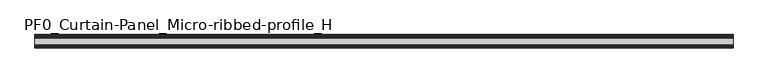
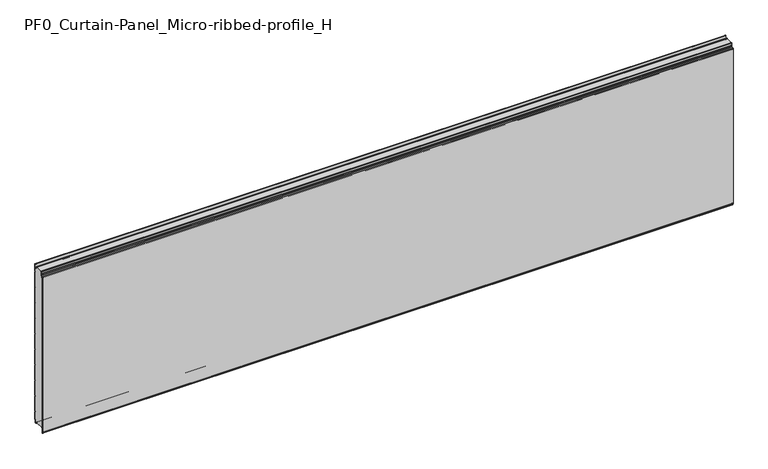
"""IFC4 building model written with IfcOpenShell, lengths in millimetres: plate geometry, PF0_Curtain-Panel_Micro-ribbed-profile_H."""

from ifc_helpers import new_model, si_unit, point, frame, frame_2d, origin, place, context, project, spatial, polyline, circle_curve, trimmed, segment, composite_curve, outline, extrude, source, transform, mapped, element, save
from ifc_brep_helpers import plane_surface, cylinder_surface, revolved_surface, advanced_brep


def pf0_curtain_panel_micro_ribbed_profile_h_5a5e979d(model_context):
    return source(origin(), model_context, "Body", "SolidModel", [
        advanced_brep(
        [(-2100.0, -15.878557, 0.0), (-2100.0, -20.0, 0.0), (-2100.0, -20.0, 0.8), (-2100.0, -15.878557, 0.8), (-2100.0, -13.1503208, -1.370137), (-2100.0, -11.728236, -7.529863), (-2100.0, -6.2, -6.9), (-2100.0, -6.2, 8.6), (-2100.0, -3.4, 11.4), (-2100.0, -2.0, 11.4), (-2100.0, -0.8, 12.6), (-2100.0, -0.8, 57.6856412), (-2100.0, -2.482606, 60.6), (-2100.0, -0.8, 63.5143588), (-2100.0, -0.8, 157.6856412), (-2100.0, -2.482606, 160.6), (-2100.0, -0.8, 163.5143588), (-2100.0, -0.8, 257.6856412), (-2100.0, -2.482606, 260.6), (-2100.0, -0.8, 263.5143588), (-2100.0, -0.8, 357.6856412), (-2100.0, -2.482606, 360.6), (-2100.0, -0.8, 363.5143588), (-2100.0, -0.8, 457.6856412), (-2100.0, -2.482606, 460.6), (-2100.0, -0.8, 463.5143588), (-2100.0, -0.8, 557.6856412), (-2100.0, -2.482606, 560.6), (-2100.0, -0.8, 563.5143588), (-2100.0, -0.8, 657.6856412), (-2100.0, -2.482606, 660.6), (-2100.0, -0.8, 663.5143588), (-2100.0, -0.8, 757.6856412), (-2100.0, -2.482606, 760.6), (-2100.0, -0.8, 763.5143588), (-2100.0, -0.8, 857.6856412), (-2100.0, -2.482606, 860.6), (-2100.0, -0.8, 863.5143588), (-2100.0, -0.8, 957.6856412), (-2100.0, -2.482606, 960.6), (-2100.0, -0.8, 963.5143588), (-2100.0, -0.8, 1008.1), (-2100.0, -4.2, 1008.1), (-2100.0, -4.2, 991.1), (-2100.0, -13.7270771, 990.2664884), (-2100.0, -14.8636953, 996.7125669), (-2100.0, -16.6363492, 998.2), (-2100.0, -20.0, 998.2), (-2100.0, -20.0, 999.0), (-2100.0, -16.6363492, 999.0), (-2100.0, -14.0758491, 996.8514855), (-2100.0, -12.939231, 990.405407), (-2100.0, -5.0, 991.1), (-2100.0, -5.0, 1008.1), (-2100.0, -2.5, 1010.6), (-2100.0, 0.0, 1008.1), (-2100.0, 0.0, 963.2999995), (-2100.0, -1.5588455, 960.6), (-2100.0, 0.0, 957.9000005), (-2100.0, 0.0, 863.2999995), (-2100.0, -1.5588455, 860.6), (-2100.0, 0.0, 857.9000005), (-2100.0, 0.0, 763.2999995), (-2100.0, -1.5588455, 760.6), (-2100.0, 0.0, 757.9000005), (-2100.0, 0.0, 663.2999995), (-2100.0, -1.5588455, 660.6), (-2100.0, 0.0, 657.9000005), (-2100.0, 0.0, 563.2999995), (-2100.0, -1.5588455, 560.6), (-2100.0, 0.0, 557.9000005), (-2100.0, 0.0, 463.2999995), (-2100.0, -1.5588455, 460.6), (-2100.0, 0.0, 457.9000005), (-2100.0, 0.0, 363.2999995), (-2100.0, -1.5588455, 360.6), (-2100.0, 0.0, 357.9000005), (-2100.0, 0.0, 263.2999995), (-2100.0, -1.5588455, 260.6), (-2100.0, 0.0, 257.9000005), (-2100.0, 0.0, 163.2999995), (-2100.0, -1.5588455, 160.6), (-2100.0, 0.0, 157.9000005), (-2100.0, 0.0, 63.2999995), (-2100.0, -1.5588455, 60.6), (-2100.0, 0.0, 57.9000005), (-2100.0, 0.0, 12.6), (-2100.0, -2.0, 10.6), (-2100.0, -3.4, 10.6), (-2100.0, -5.4, 8.6), (-2100.0, -5.4, -6.9), (-2100.0, -12.5077322, -7.7098239), (-2100.0, -13.929817, -1.5500979), (2100.0, -15.878557, 0.0), (2100.0, -13.9298169, -1.5500978), (2100.0, -12.507732, -7.7098239), (2100.0, -5.4, -6.9), (2100.0, -5.4, 8.6), (2100.0, -3.4, 10.6), (2100.0, -2.0, 10.6), (2100.0, 0.0, 12.6), (2100.0, 0.0, 57.9000005), (2100.0, -1.5588455, 60.6), (2100.0, 0.0, 63.2999995), (2100.0, 0.0, 157.9000005), (2100.0, -1.5588455, 160.6), (2100.0, 0.0, 163.2999995), (2100.0, 0.0, 257.9000005), (2100.0, -1.5588455, 260.6), (2100.0, 0.0, 263.2999995), (2100.0, 0.0, 357.9000005), (2100.0, -1.5588455, 360.6), (2100.0, 0.0, 363.2999995), (2100.0, 0.0, 457.9000005), (2100.0, -1.5588455, 460.6), (2100.0, 0.0, 463.2999995), (2100.0, 0.0, 557.9000005), (2100.0, -1.5588455, 560.6), (2100.0, 0.0, 563.2999995), (2100.0, 0.0, 657.9000005), (2100.0, -1.5588455, 660.6), (2100.0, 0.0, 663.2999995), (2100.0, 0.0, 757.9000005), (2100.0, -1.5588455, 760.6), (2100.0, 0.0, 763.2999995), (2100.0, 0.0, 857.9000005), (2100.0, -1.5588455, 860.6), (2100.0, 0.0, 863.2999995), (2100.0, 0.0, 957.9000005), (2100.0, -1.5588455, 960.6), (2100.0, 0.0, 963.2999995), (2100.0, 0.0, 1008.1), (2100.0, -2.5, 1010.6), (2100.0, -5.0, 1008.1), (2100.0, -5.0, 991.1), (2100.0, -12.939231, 990.405407), (2100.0, -14.0758491, 996.8514855), (2100.0, -16.6363492, 999.0), (2100.0, -20.0, 999.0), (2100.0, -20.0, 998.2), (2100.0, -16.6363492, 998.2), (2100.0, -14.8636953, 996.7125669), (2100.0, -13.7270772, 990.2664884), (2100.0, -4.2, 991.1), (2100.0, -4.2, 1008.1), (2100.0, -0.8, 1008.1), (2100.0, -0.8, 963.5143588), (2100.0, -2.482606, 960.6), (2100.0, -0.8, 957.6856412), (2100.0, -0.8, 863.5143588), (2100.0, -2.482606, 860.6), (2100.0, -0.8, 857.6856412), (2100.0, -0.8, 763.5143588), (2100.0, -2.482606, 760.6), (2100.0, -0.8, 757.6856412), (2100.0, -0.8, 663.5143588), (2100.0, -2.482606, 660.6), (2100.0, -0.8, 657.6856412), (2100.0, -0.8, 563.5143588), (2100.0, -2.482606, 560.6), (2100.0, -0.8, 557.6856412), (2100.0, -0.8, 463.5143588), (2100.0, -2.482606, 460.6), (2100.0, -0.8, 457.6856412), (2100.0, -0.8, 363.5143588), (2100.0, -2.482606, 360.6), (2100.0, -0.8, 357.6856412), (2100.0, -0.8, 263.5143588), (2100.0, -2.482606, 260.6), (2100.0, -0.8, 257.6856412), (2100.0, -0.8, 163.5143588), (2100.0, -2.482606, 160.6), (2100.0, -0.8, 157.6856412), (2100.0, -0.8, 63.5143588), (2100.0, -2.482606, 60.6), (2100.0, -0.8, 57.6856412), (2100.0, -0.8, 12.6), (2100.0, -2.0, 11.4), (2100.0, -3.4, 11.4), (2100.0, -6.2, 8.6), (2100.0, -6.2, -6.9), (2100.0, -11.7282362, -7.529863), (2100.0, -13.150321, -1.370137), (2100.0, -15.878557, 0.8), (2100.0, -20.0, 0.8), (2100.0, -20.0, 0.0)],
        [
            (0, 1),
            (1, 2),
            (2, 3),
            (3, 4, circle_curve(frame((-2100.0, -15.878557, -2.0), z_axis=(-1.0, 0.0, 0.0), x_axis=(0.0, 0.0, 1.0)), 2.8)),
            (4, 5),
            (5, 6, circle_curve(frame((-2100.0, -9.0, -6.9), z_axis=(1.0, 0.0, 0.0), x_axis=(0.0, 0.0, 1.0)), 2.8)),
            (6, 7),
            (7, 8, circle_curve(frame((-2100.0, -3.4, 8.6), z_axis=(-1.0, 0.0, 0.0), x_axis=(0.0, 0.0, 1.0)), 2.8)),
            (8, 9),
            (9, 10, circle_curve(frame((-2100.0, -2.0, 12.6), z_axis=(1.0, 0.0, 0.0), x_axis=(0.0, 0.0, 1.0)), 1.2)),
            (10, 11),
            (11, 12),
            (12, 13),
            (13, 14),
            (14, 15),
            (15, 16),
            (16, 17),
            (17, 18),
            (18, 19),
            (19, 20),
            (20, 21),
            (21, 22),
            (22, 23),
            (23, 24),
            (24, 25),
            (25, 26),
            (26, 27),
            (27, 28),
            (28, 29),
            (29, 30),
            (30, 31),
            (31, 32),
            (32, 33),
            (33, 34),
            (34, 35),
            (35, 36),
            (36, 37),
            (37, 38),
            (38, 39),
            (39, 40),
            (40, 41),
            (41, 42, circle_curve(frame((-2100.0, -2.5, 1008.1), z_axis=(1.0, 0.0, 0.0), x_axis=(0.0, 0.0, 1.0)), 1.7)),
            (42, 43),
            (43, 44, circle_curve(frame((-2100.0, -9.0, 991.1), z_axis=(-1.0, 0.0, 0.0), x_axis=(0.0, 0.0, 1.0)), 4.8)),
            (44, 45),
            (45, 46, circle_curve(frame((-2100.0, -16.6363492, 996.4), z_axis=(1.0, 0.0, 0.0), x_axis=(0.0, 0.0, 1.0)), 1.8)),
            (46, 47),
            (47, 48),
            (48, 49),
            (49, 50, circle_curve(frame((-2100.0, -16.6363492, 996.4), z_axis=(-1.0, 0.0, 0.0), x_axis=(0.0, 0.0, 1.0)), 2.6)),
            (50, 51),
            (51, 52, circle_curve(frame((-2100.0, -9.0, 991.1), z_axis=(1.0, 0.0, 0.0), x_axis=(0.0, 0.0, 1.0)), 4.0)),
            (52, 53),
            (53, 54, circle_curve(frame((-2100.0, -2.5, 1008.1), z_axis=(-1.0, 0.0, 0.0), x_axis=(0.0, 0.0, 1.0)), 2.5)),
            (54, 55, circle_curve(frame((-2100.0, -2.5, 1008.1), z_axis=(-1.0, 0.0, 0.0), x_axis=(0.0, 0.0, 1.0)), 2.5)),
            (55, 56),
            (56, 57),
            (57, 58),
            (58, 59),
            (59, 60),
            (60, 61),
            (61, 62),
            (62, 63),
            (63, 64),
            (64, 65),
            (65, 66),
            (66, 67),
            (67, 68),
            (68, 69),
            (69, 70),
            (70, 71),
            (71, 72),
            (72, 73),
            (73, 74),
            (74, 75),
            (75, 76),
            (76, 77),
            (77, 78),
            (78, 79),
            (79, 80),
            (80, 81),
            (81, 82),
            (82, 83),
            (83, 84),
            (84, 85),
            (85, 86),
            (86, 87, circle_curve(frame((-2100.0, -2.0, 12.6), z_axis=(-1.0, 0.0, 0.0), x_axis=(0.0, 0.0, 1.0)), 2.0)),
            (87, 88),
            (88, 89, circle_curve(frame((-2100.0, -3.4, 8.6), z_axis=(1.0, 0.0, 0.0), x_axis=(0.0, 0.0, 1.0)), 2.0)),
            (89, 90),
            (90, 91, circle_curve(frame((-2100.0, -9.0, -6.9), z_axis=(-1.0, 0.0, 0.0), x_axis=(0.0, 0.0, 1.0)), 3.6)),
            (91, 92),
            (92, 0, circle_curve(frame((-2100.0, -15.878557, -2.0), z_axis=(1.0, 0.0, 0.0), x_axis=(0.0, 0.0, 1.0)), 2.0)),
            (93, 94, circle_curve(frame((2100.0, -15.878557, -2.0), z_axis=(-1.0, 0.0, 0.0), x_axis=(0.0, 0.0, 1.0)), 2.0)),
            (94, 95),
            (95, 96, circle_curve(frame((2100.0, -9.0, -6.9), z_axis=(1.0, 0.0, 0.0), x_axis=(0.0, 0.0, 1.0)), 3.6)),
            (96, 97),
            (97, 98, circle_curve(frame((2100.0, -3.4, 8.6), z_axis=(-1.0, 0.0, 0.0), x_axis=(0.0, 0.0, 1.0)), 2.0)),
            (98, 99),
            (99, 100, circle_curve(frame((2100.0, -2.0, 12.6), z_axis=(1.0, 0.0, 0.0), x_axis=(0.0, 0.0, 1.0)), 2.0)),
            (100, 101),
            (101, 102),
            (102, 103),
            (103, 104),
            (104, 105),
            (105, 106),
            (106, 107),
            (107, 108),
            (108, 109),
            (109, 110),
            (110, 111),
            (111, 112),
            (112, 113),
            (113, 114),
            (114, 115),
            (115, 116),
            (116, 117),
            (117, 118),
            (118, 119),
            (119, 120),
            (120, 121),
            (121, 122),
            (122, 123),
            (123, 124),
            (124, 125),
            (125, 126),
            (126, 127),
            (127, 128),
            (128, 129),
            (129, 130),
            (130, 131),
            (131, 132, circle_curve(frame((2100.0, -2.5, 1008.1), z_axis=(1.0, 0.0, 0.0), x_axis=(0.0, 0.0, 1.0)), 2.5)),
            (132, 133, circle_curve(frame((2100.0, -2.5, 1008.1), z_axis=(1.0, 0.0, 0.0), x_axis=(0.0, 0.0, 1.0)), 2.5)),
            (133, 134),
            (134, 135, circle_curve(frame((2100.0, -9.0, 991.1), z_axis=(-1.0, 0.0, 0.0), x_axis=(0.0, 0.0, 1.0)), 4.0)),
            (135, 136),
            (136, 137, circle_curve(frame((2100.0, -16.6363492, 996.4), z_axis=(1.0, 0.0, 0.0), x_axis=(0.0, 0.0, 1.0)), 2.6)),
            (137, 138),
            (138, 139),
            (139, 140),
            (140, 141, circle_curve(frame((2100.0, -16.6363492, 996.4), z_axis=(-1.0, 0.0, 0.0), x_axis=(0.0, 0.0, 1.0)), 1.8)),
            (141, 142),
            (142, 143, circle_curve(frame((2100.0, -9.0, 991.1), z_axis=(1.0, 0.0, 0.0), x_axis=(0.0, 0.0, 1.0)), 4.8)),
            (143, 144),
            (144, 145, circle_curve(frame((2100.0, -2.5, 1008.1), z_axis=(-1.0, 0.0, 0.0), x_axis=(0.0, 0.0, 1.0)), 1.7)),
            (145, 146),
            (146, 147),
            (147, 148),
            (148, 149),
            (149, 150),
            (150, 151),
            (151, 152),
            (152, 153),
            (153, 154),
            (154, 155),
            (155, 156),
            (156, 157),
            (157, 158),
            (158, 159),
            (159, 160),
            (160, 161),
            (161, 162),
            (162, 163),
            (163, 164),
            (164, 165),
            (165, 166),
            (166, 167),
            (167, 168),
            (168, 169),
            (169, 170),
            (170, 171),
            (171, 172),
            (172, 173),
            (173, 174),
            (174, 175),
            (175, 176),
            (176, 177, circle_curve(frame((2100.0, -2.0, 12.6), z_axis=(-1.0, 0.0, 0.0), x_axis=(0.0, 0.0, 1.0)), 1.2)),
            (177, 178),
            (178, 179, circle_curve(frame((2100.0, -3.4, 8.6), z_axis=(1.0, 0.0, 0.0), x_axis=(0.0, 0.0, 1.0)), 2.8)),
            (179, 180),
            (180, 181, circle_curve(frame((2100.0, -9.0, -6.9), z_axis=(-1.0, 0.0, 0.0), x_axis=(0.0, 0.0, 1.0)), 2.8)),
            (181, 182),
            (182, 183, circle_curve(frame((2100.0, -15.878557, -2.0), z_axis=(1.0, 0.0, 0.0), x_axis=(0.0, 0.0, 1.0)), 2.8)),
            (183, 184),
            (184, 185),
            (185, 93),
            (0, 93),
            (185, 1),
            (184, 2),
            (183, 3),
            (182, 4),
            (181, 5),
            (180, 6),
            (179, 7),
            (178, 8),
            (177, 9),
            (176, 10),
            (175, 11),
            (174, 12),
            (173, 13),
            (172, 14),
            (171, 15),
            (170, 16),
            (169, 17),
            (168, 18),
            (167, 19),
            (166, 20),
            (165, 21),
            (164, 22),
            (163, 23),
            (162, 24),
            (161, 25),
            (160, 26),
            (159, 27),
            (158, 28),
            (157, 29),
            (156, 30),
            (155, 31),
            (154, 32),
            (153, 33),
            (152, 34),
            (151, 35),
            (150, 36),
            (149, 37),
            (148, 38),
            (147, 39),
            (146, 40),
            (145, 41),
            (144, 42),
            (143, 43),
            (142, 44),
            (141, 45),
            (140, 46),
            (139, 47),
            (138, 48),
            (137, 49),
            (136, 50),
            (135, 51),
            (134, 52),
            (133, 53),
            (131, 55),
            (130, 56),
            (129, 57),
            (128, 58),
            (127, 59),
            (126, 60),
            (125, 61),
            (124, 62),
            (123, 63),
            (122, 64),
            (121, 65),
            (120, 66),
            (119, 67),
            (118, 68),
            (117, 69),
            (116, 70),
            (115, 71),
            (114, 72),
            (113, 73),
            (112, 74),
            (111, 75),
            (110, 76),
            (109, 77),
            (108, 78),
            (107, 79),
            (106, 80),
            (105, 81),
            (104, 82),
            (103, 83),
            (102, 84),
            (101, 85),
            (100, 86),
            (99, 87),
            (98, 88),
            (97, 89),
            (96, 90),
            (95, 91),
            (94, 92),
        ],
        [
            plane_surface(frame((-2100.0, 0.0, 0.0), z_axis=(-1.0, 0.0, 0.0), x_axis=(0.0, 1.0, 0.0))),
            plane_surface(frame((2100.0, 0.0, 0.0), z_axis=(1.0, 0.0, 0.0), x_axis=(0.0, 1.0, 0.0))),
            plane_surface(frame((-2100.0, -15.878557, 0.0), z_axis=(0.0, 0.0, -1.0), x_axis=(1.0, 0.0, 0.0))),
            plane_surface(frame((-2100.0, -20.0, 0.0), z_axis=(0.0, -1.0, 0.0), x_axis=(1.0, 0.0, 0.0))),
            plane_surface(frame((-2100.0, -20.0, 0.8), z_axis=(0.0, 0.0, 1.0), x_axis=(1.0, 0.0, 0.0))),
            cylinder_surface(frame((-2100.0, -15.878557, -2.0), z_axis=(-1.0, 0.0, 0.0), x_axis=(0.0, 0.0, 1.0)), 2.8),
            plane_surface(frame((-2100.0, -13.150321, -1.370137), z_axis=(0.0, 0.9743700578318181, 0.22495108446242168), x_axis=(1.0, 0.0, 0.0))),
            revolved_surface(polyline([(2100.0, -9.0, -4.1000000000000005), (-2100.0, -9.0, -4.1000000000000005)]), (-2100.0, -9.0, -6.9), (1.0, 0.0, 0.0)),
            plane_surface(frame((-2100.0, -6.2, -6.9), z_axis=(0.0, -1.0, 0.0), x_axis=(1.0, 0.0, 0.0))),
            cylinder_surface(frame((-2100.0, -3.4, 8.6), z_axis=(-1.0, 0.0, 0.0), x_axis=(0.0, 0.0, 1.0)), 2.8),
            plane_surface(frame((-2100.0, -3.4, 11.4), z_axis=(0.0, 0.0, 1.0), x_axis=(1.0, 0.0, 0.0))),
            revolved_surface(polyline([(2100.0, -2.0, 13.799999999999999), (-2100.0, -2.0, 13.799999999999999)]), (-2100.0, -2.0, 12.6), (1.0, 0.0, 0.0)),
            plane_surface(frame((-2100.0, -0.8, 12.6), z_axis=(0.0, -1.0, 0.0), x_axis=(1.0, 0.0, 0.0))),
            plane_surface(frame((-2100.0, -0.8, 57.6856412), z_axis=(0.0, -0.8660253865035757, -0.5000000299313314), x_axis=(1.0, 0.0, 0.0))),
            plane_surface(frame((-2100.0, -2.482606, 60.6), z_axis=(0.0, -0.8660253865035789, 0.5000000299313261), x_axis=(1.0, 0.0, 0.0))),
            plane_surface(frame((-2100.0, -0.8, 63.5143588), z_axis=(0.0, -1.0, 0.0), x_axis=(1.0, 0.0, 0.0))),
            plane_surface(frame((-2100.0, -0.8, 157.6856412), z_axis=(0.0, -0.8660253865035755, -0.5000000299313319), x_axis=(1.0, 0.0, 0.0))),
            plane_surface(frame((-2100.0, -2.482606, 160.6), z_axis=(0.0, -0.8660253865035777, 0.5000000299313279), x_axis=(1.0, 0.0, 0.0))),
            plane_surface(frame((-2100.0, -0.8, 163.5143588), z_axis=(0.0, -1.0, 0.0), x_axis=(1.0, 0.0, 0.0))),
            plane_surface(frame((-2100.0, -0.8, 257.6856412), z_axis=(0.0, -0.8660253865035755, -0.5000000299313319), x_axis=(1.0, 0.0, 0.0))),
            plane_surface(frame((-2100.0, -2.482606, 260.6), z_axis=(0.0, -0.8660253865035777, 0.5000000299313279), x_axis=(1.0, 0.0, 0.0))),
            plane_surface(frame((-2100.0, -0.8, 263.5143588), z_axis=(0.0, -1.0, 0.0), x_axis=(1.0, 0.0, 0.0))),
            plane_surface(frame((-2100.0, -0.8, 357.6856412), z_axis=(0.0, -0.8660253865035754, -0.500000029931332), x_axis=(1.0, 0.0, 0.0))),
            plane_surface(frame((-2100.0, -2.482606, 360.6), z_axis=(0.0, -0.8660253865035789, 0.5000000299313261), x_axis=(1.0, 0.0, 0.0))),
            plane_surface(frame((-2100.0, -0.8, 363.5143588), z_axis=(0.0, -1.0, 0.0), x_axis=(1.0, 0.0, 0.0))),
            plane_surface(frame((-2100.0, -0.8, 457.6856412), z_axis=(0.0, -0.8660253865035755, -0.5000000299313319), x_axis=(1.0, 0.0, 0.0))),
            plane_surface(frame((-2100.0, -2.482606, 460.6), z_axis=(0.0, -0.8660253865035785, 0.5000000299313266), x_axis=(1.0, 0.0, 0.0))),
            plane_surface(frame((-2100.0, -0.8, 463.5143588), z_axis=(0.0, -1.0, 0.0), x_axis=(1.0, 0.0, 0.0))),
            plane_surface(frame((-2100.0, -0.8, 557.6856412), z_axis=(0.0, -0.8660253865035755, -0.500000029931332), x_axis=(1.0, 0.0, 0.0))),
            plane_surface(frame((-2100.0, -2.482606, 560.6), z_axis=(0.0, -0.8660253865035789, 0.500000029931326), x_axis=(1.0, 0.0, 0.0))),
            plane_surface(frame((-2100.0, -0.8, 563.5143588), z_axis=(0.0, -1.0, 0.0), x_axis=(1.0, 0.0, 0.0))),
            plane_surface(frame((-2100.0, -0.8, 657.6856412), z_axis=(0.0, -0.8660253865035755, -0.5000000299313317), x_axis=(1.0, 0.0, 0.0))),
            plane_surface(frame((-2100.0, -2.482606, 660.6), z_axis=(0.0, -0.8660253865035772, 0.5000000299313291), x_axis=(1.0, 0.0, 0.0))),
            plane_surface(frame((-2100.0, -0.8, 663.5143588), z_axis=(0.0, -1.0, 0.0), x_axis=(1.0, 0.0, 0.0))),
            plane_surface(frame((-2100.0, -0.8, 757.6856412), z_axis=(0.0, -0.8660253865035755, -0.5000000299313319), x_axis=(1.0, 0.0, 0.0))),
            plane_surface(frame((-2100.0, -2.482606, 760.6), z_axis=(0.0, -0.8660253865035771, 0.5000000299313291), x_axis=(1.0, 0.0, 0.0))),
            plane_surface(frame((-2100.0, -0.8, 763.5143588), z_axis=(0.0, -1.0, 0.0), x_axis=(1.0, 0.0, 0.0))),
            plane_surface(frame((-2100.0, -0.8, 857.6856412), z_axis=(0.0, -0.8660253865035755, -0.5000000299313319), x_axis=(1.0, 0.0, 0.0))),
            plane_surface(frame((-2100.0, -2.482606, 860.6), z_axis=(0.0, -0.8660253865035775, 0.5000000299313283), x_axis=(1.0, 0.0, 0.0))),
            plane_surface(frame((-2100.0, -0.8, 863.5143588), z_axis=(0.0, -1.0, 0.0), x_axis=(1.0, 0.0, 0.0))),
            plane_surface(frame((-2100.0, -0.8, 957.6856412), z_axis=(0.0, -0.8660253865035755, -0.500000029931332), x_axis=(1.0, 0.0, 0.0))),
            plane_surface(frame((-2100.0, -2.482606, 960.6), z_axis=(0.0, -0.8660253865035771, 0.5000000299313291), x_axis=(1.0, 0.0, 0.0))),
            plane_surface(frame((-2100.0, -0.8, 963.5143588), z_axis=(0.0, -1.0, 0.0), x_axis=(1.0, 0.0, 0.0))),
            revolved_surface(polyline([(2100.0, -2.5, 1009.8000000000001), (-2100.0, -2.5, 1009.8000000000001)]), (-2100.0, -2.5, 1008.1), (1.0, 0.0, 0.0)),
            plane_surface(frame((-2100.0, -4.2, 1008.1), z_axis=(0.0, 1.0, 0.0), x_axis=(1.0, 0.0, 0.0))),
            cylinder_surface(frame((-2100.0, -9.0, 991.1), z_axis=(-1.0, 0.0, 0.0), x_axis=(0.0, 0.0, 1.0)), 4.8),
            plane_surface(frame((-2100.0, -13.7270772, 990.2664884), z_axis=(0.0, -0.9848077391954005, -0.17364825602592165), x_axis=(1.0, 0.0, 0.0))),
            revolved_surface(polyline([(2100.0, -16.6363492, 998.1999999999999), (-2100.0, -16.6363492, 998.1999999999999)]), (-2100.0, -16.6363492, 996.4), (1.0, 0.0, 0.0)),
            plane_surface(frame((-2100.0, -16.6363492, 998.2), z_axis=(0.0, 0.0, -1.0), x_axis=(1.0, 0.0, 0.0))),
            plane_surface(frame((-2100.0, -20.0, 998.2), z_axis=(0.0, -1.0, 0.0), x_axis=(1.0, 0.0, 0.0))),
            plane_surface(frame((-2100.0, -20.0, 999.0), z_axis=(0.0, 0.0, 1.0), x_axis=(1.0, 0.0, 0.0))),
            cylinder_surface(frame((-2100.0, -16.6363492, 996.4), z_axis=(-1.0, 0.0, 0.0), x_axis=(0.0, 0.0, 1.0)), 2.6),
            plane_surface(frame((-2100.0, -14.0758491, 996.8514855), z_axis=(0.0, 0.9848077391954003, 0.1736482560259224), x_axis=(1.0, 0.0, 0.0))),
            revolved_surface(polyline([(2100.0, -9.0, 995.1), (-2100.0, -9.0, 995.1)]), (-2100.0, -9.0, 991.1), (1.0, 0.0, 0.0)),
            plane_surface(frame((-2100.0, -5.0, 991.1), z_axis=(0.0, -1.0, 0.0), x_axis=(1.0, 0.0, 0.0))),
            cylinder_surface(frame((-2100.0, -2.5, 1008.1), z_axis=(-1.0, 0.0, 0.0), x_axis=(0.0, 0.0, 1.0)), 2.5),
            plane_surface(frame((-2100.0, 0.0, 1008.1), z_axis=(0.0, 1.0, 0.0), x_axis=(1.0, 0.0, 0.0))),
            plane_surface(frame((-2100.0, 0.0, 963.2999995), z_axis=(0.0, 0.8660253865035786, -0.5000000299313263), x_axis=(1.0, 0.0, 0.0))),
            plane_surface(frame((-2100.0, -1.5588455, 960.6), z_axis=(0.0, 0.8660253865035755, 0.5000000299313319), x_axis=(1.0, 0.0, 0.0))),
            plane_surface(frame((-2100.0, 0.0, 957.9000005), z_axis=(0.0, 1.0, 0.0), x_axis=(1.0, 0.0, 0.0))),
            plane_surface(frame((-2100.0, 0.0, 863.2999995), z_axis=(0.0, 0.8660253865035786, -0.5000000299313263), x_axis=(1.0, 0.0, 0.0))),
            plane_surface(frame((-2100.0, -1.5588455, 860.6), z_axis=(0.0, 0.8660253865035755, 0.5000000299313319), x_axis=(1.0, 0.0, 0.0))),
            plane_surface(frame((-2100.0, 0.0, 857.9000005), z_axis=(0.0, 1.0, 0.0), x_axis=(1.0, 0.0, 0.0))),
            plane_surface(frame((-2100.0, 0.0, 763.2999995), z_axis=(0.0, 0.8660253865035786, -0.5000000299313263), x_axis=(1.0, 0.0, 0.0))),
            plane_surface(frame((-2100.0, -1.5588455, 760.6), z_axis=(0.0, 0.8660253865035755, 0.5000000299313319), x_axis=(1.0, 0.0, 0.0))),
            plane_surface(frame((-2100.0, 0.0, 757.9000005), z_axis=(0.0, 1.0, 0.0), x_axis=(1.0, 0.0, 0.0))),
            plane_surface(frame((-2100.0, 0.0, 663.2999995), z_axis=(0.0, 0.8660253865035786, -0.5000000299313263), x_axis=(1.0, 0.0, 0.0))),
            plane_surface(frame((-2100.0, -1.5588455, 660.6), z_axis=(0.0, 0.8660253865035755, 0.5000000299313319), x_axis=(1.0, 0.0, 0.0))),
            plane_surface(frame((-2100.0, 0.0, 657.9000005), z_axis=(0.0, 1.0, 0.0), x_axis=(1.0, 0.0, 0.0))),
            plane_surface(frame((-2100.0, 0.0, 563.2999995), z_axis=(0.0, 0.8660253865035786, -0.5000000299313263), x_axis=(1.0, 0.0, 0.0))),
            plane_surface(frame((-2100.0, -1.5588455, 560.6), z_axis=(0.0, 0.8660253865035755, 0.5000000299313319), x_axis=(1.0, 0.0, 0.0))),
            plane_surface(frame((-2100.0, 0.0, 557.9000005), z_axis=(0.0, 1.0, 0.0), x_axis=(1.0, 0.0, 0.0))),
            plane_surface(frame((-2100.0, 0.0, 463.2999995), z_axis=(0.0, 0.8660253865035786, -0.5000000299313263), x_axis=(1.0, 0.0, 0.0))),
            plane_surface(frame((-2100.0, -1.5588455, 460.6), z_axis=(0.0, 0.8660253865035755, 0.5000000299313319), x_axis=(1.0, 0.0, 0.0))),
            plane_surface(frame((-2100.0, 0.0, 457.9000005), z_axis=(0.0, 1.0, 0.0), x_axis=(1.0, 0.0, 0.0))),
            plane_surface(frame((-2100.0, 0.0, 363.2999995), z_axis=(0.0, 0.8660253865035786, -0.5000000299313263), x_axis=(1.0, 0.0, 0.0))),
            plane_surface(frame((-2100.0, -1.5588455, 360.6), z_axis=(0.0, 0.8660253865035755, 0.5000000299313319), x_axis=(1.0, 0.0, 0.0))),
            plane_surface(frame((-2100.0, 0.0, 357.9000005), z_axis=(0.0, 1.0, 0.0), x_axis=(1.0, 0.0, 0.0))),
            plane_surface(frame((-2100.0, 0.0, 263.2999995), z_axis=(0.0, 0.8660253865035786, -0.5000000299313263), x_axis=(1.0, 0.0, 0.0))),
            plane_surface(frame((-2100.0, -1.5588455, 260.6), z_axis=(0.0, 0.8660253865035755, 0.5000000299313319), x_axis=(1.0, 0.0, 0.0))),
            plane_surface(frame((-2100.0, 0.0, 257.9000005), z_axis=(0.0, 1.0, 0.0), x_axis=(1.0, 0.0, 0.0))),
            plane_surface(frame((-2100.0, 0.0, 163.2999995), z_axis=(0.0, 0.8660253865035786, -0.5000000299313263), x_axis=(1.0, 0.0, 0.0))),
            plane_surface(frame((-2100.0, -1.5588455, 160.6), z_axis=(0.0, 0.8660253865035755, 0.5000000299313319), x_axis=(1.0, 0.0, 0.0))),
            plane_surface(frame((-2100.0, 0.0, 157.9000005), z_axis=(0.0, 1.0, 0.0), x_axis=(1.0, 0.0, 0.0))),
            plane_surface(frame((-2100.0, 0.0, 63.2999995), z_axis=(0.0, 0.8660253865035786, -0.5000000299313263), x_axis=(1.0, 0.0, 0.0))),
            plane_surface(frame((-2100.0, -1.5588455, 60.6), z_axis=(0.0, 0.8660253865035755, 0.5000000299313319), x_axis=(1.0, 0.0, 0.0))),
            plane_surface(frame((-2100.0, 0.0, 57.9000005), z_axis=(0.0, 1.0, 0.0), x_axis=(1.0, 0.0, 0.0))),
            cylinder_surface(frame((-2100.0, -2.0, 12.6), z_axis=(-1.0, 0.0, 0.0), x_axis=(0.0, 0.0, 1.0)), 2.0),
            plane_surface(frame((-2100.0, -2.0, 10.6), z_axis=(0.0, 0.0, -1.0), x_axis=(1.0, 0.0, 0.0))),
            revolved_surface(polyline([(2100.0, -3.4, 10.6), (-2100.0, -3.4, 10.6)]), (-2100.0, -3.4, 8.6), (1.0, 0.0, 0.0)),
            plane_surface(frame((-2100.0, -5.4, 8.6), z_axis=(0.0, 1.0, 0.0), x_axis=(1.0, 0.0, 0.0))),
            cylinder_surface(frame((-2100.0, -9.0, -6.9), z_axis=(-1.0, 0.0, 0.0), x_axis=(0.0, 0.0, 1.0)), 3.6),
            plane_surface(frame((-2100.0, -12.507732, -7.7098239), z_axis=(0.0, -0.9743700578318182, -0.22495108446242174), x_axis=(1.0, 0.0, 0.0))),
            revolved_surface(polyline([(2100.0, -15.878557, 0.0), (-2100.0, -15.878557, 0.0)]), (-2100.0, -15.878557, -2.0), (1.0, 0.0, 0.0)),
        ],
        [
            (0, [[1, 2, 3, 4, 5, 6, 7, 8, 9, 10, 11, 12, 13, 14, 15, 16, 17, 18, 19, 20, 21, 22, 23, 24, 25, 26, 27, 28, 29, 30, 31, 32, 33, 34, 35, 36, 37, 38, 39, 40, 41, 42, 43, 44, 45, 46, 47, 48, 49, 50, 51, 52, 53, 54, 55, 56, 57, 58, 59, 60, 61, 62, 63, 64, 65, 66, 67, 68, 69, 70, 71, 72, 73, 74, 75, 76, 77, 78, 79, 80, 81, 82, 83, 84, 85, 86, 87, 88, 89, 90, 91, 92, 93]]),
            (1, [[94, 95, 96, 97, 98, 99, 100, 101, 102, 103, 104, 105, 106, 107, 108, 109, 110, 111, 112, 113, 114, 115, 116, 117, 118, 119, 120, 121, 122, 123, 124, 125, 126, 127, 128, 129, 130, 131, 132, 133, 134, 135, 136, 137, 138, 139, 140, 141, 142, 143, 144, 145, 146, 147, 148, 149, 150, 151, 152, 153, 154, 155, 156, 157, 158, 159, 160, 161, 162, 163, 164, 165, 166, 167, 168, 169, 170, 171, 172, 173, 174, 175, 176, 177, 178, 179, 180, 181, 182, 183, 184, 185, 186]]),
            (2, [[-1, 187, -186, 188]]),
            (3, [[-2, -188, -185, 189]]),
            (4, [[-3, -189, -184, 190]]),
            (5, [[-4, -190, -183, 191]]),
            (6, [[-5, -191, -182, 192]]),
            (7, [[-6, -192, -181, 193]]),
            (8, [[-7, -193, -180, 194]]),
            (9, [[-8, -194, -179, 195]]),
            (10, [[-9, -195, -178, 196]]),
            (11, [[-10, -196, -177, 197]]),
            (12, [[-11, -197, -176, 198]]),
            (13, [[-12, -198, -175, 199]]),
            (14, [[-13, -199, -174, 200]]),
            (15, [[-14, -200, -173, 201]]),
            (16, [[-15, -201, -172, 202]]),
            (17, [[-16, -202, -171, 203]]),
            (18, [[-17, -203, -170, 204]]),
            (19, [[-18, -204, -169, 205]]),
            (20, [[-19, -205, -168, 206]]),
            (21, [[-20, -206, -167, 207]]),
            (22, [[-21, -207, -166, 208]]),
            (23, [[-22, -208, -165, 209]]),
            (24, [[-23, -209, -164, 210]]),
            (25, [[-24, -210, -163, 211]]),
            (26, [[-25, -211, -162, 212]]),
            (27, [[-26, -212, -161, 213]]),
            (28, [[-27, -213, -160, 214]]),
            (29, [[-28, -214, -159, 215]]),
            (30, [[-29, -215, -158, 216]]),
            (31, [[-30, -216, -157, 217]]),
            (32, [[-31, -217, -156, 218]]),
            (33, [[-32, -218, -155, 219]]),
            (34, [[-33, -219, -154, 220]]),
            (35, [[-34, -220, -153, 221]]),
            (36, [[-35, -221, -152, 222]]),
            (37, [[-36, -222, -151, 223]]),
            (38, [[-37, -223, -150, 224]]),
            (39, [[-38, -224, -149, 225]]),
            (40, [[-39, -225, -148, 226]]),
            (41, [[-40, -226, -147, 227]]),
            (42, [[-41, -227, -146, 228]]),
            (43, [[-42, -228, -145, 229]]),
            (44, [[-43, -229, -144, 230]]),
            (45, [[-44, -230, -143, 231]]),
            (46, [[-45, -231, -142, 232]]),
            (47, [[-46, -232, -141, 233]]),
            (48, [[-47, -233, -140, 234]]),
            (49, [[-48, -234, -139, 235]]),
            (50, [[-49, -235, -138, 236]]),
            (51, [[-50, -236, -137, 237]]),
            (52, [[-51, -237, -136, 238]]),
            (53, [[-52, -238, -135, 239]]),
            (54, [[-53, -239, -134, 240]]),
            (55, [[-240, -133, -132, 241, -55, -54]]),
            (56, [[-56, -241, -131, 242]]),
            (57, [[-57, -242, -130, 243]]),
            (58, [[-58, -243, -129, 244]]),
            (59, [[-59, -244, -128, 245]]),
            (60, [[-60, -245, -127, 246]]),
            (61, [[-61, -246, -126, 247]]),
            (62, [[-62, -247, -125, 248]]),
            (63, [[-63, -248, -124, 249]]),
            (64, [[-64, -249, -123, 250]]),
            (65, [[-65, -250, -122, 251]]),
            (66, [[-66, -251, -121, 252]]),
            (67, [[-67, -252, -120, 253]]),
            (68, [[-68, -253, -119, 254]]),
            (69, [[-69, -254, -118, 255]]),
            (70, [[-70, -255, -117, 256]]),
            (71, [[-71, -256, -116, 257]]),
            (72, [[-72, -257, -115, 258]]),
            (73, [[-73, -258, -114, 259]]),
            (74, [[-74, -259, -113, 260]]),
            (75, [[-75, -260, -112, 261]]),
            (76, [[-76, -261, -111, 262]]),
            (77, [[-77, -262, -110, 263]]),
            (78, [[-78, -263, -109, 264]]),
            (79, [[-79, -264, -108, 265]]),
            (80, [[-80, -265, -107, 266]]),
            (81, [[-81, -266, -106, 267]]),
            (82, [[-82, -267, -105, 268]]),
            (83, [[-83, -268, -104, 269]]),
            (84, [[-84, -269, -103, 270]]),
            (85, [[-85, -270, -102, 271]]),
            (86, [[-86, -271, -101, 272]]),
            (87, [[-87, -272, -100, 273]]),
            (88, [[-88, -273, -99, 274]]),
            (89, [[-89, -274, -98, 275]]),
            (90, [[-90, -275, -97, 276]]),
            (91, [[-91, -276, -96, 277]]),
            (92, [[-92, -277, -95, 278]]),
            (93, [[-93, -278, -94, -187]]),
        ],
    ),
        extrude(outline(composite_curve([segment(polyline([(-70.0, 0.0), (-73.5, 0.0)]), True, "CONTINUOUS"), segment(trimmed(circle_curve(frame_2d((-73.5, -2.0)), 2.0), [point((-73.5, 0.0))], [point((-75.5, -2.0))], True, "CARTESIAN"), True, "CONTINUOUS"), segment(polyline([(-75.5, -2.0), (-75.5, -33.0)]), True, "CONTINUOUS"), segment(trimmed(circle_curve(frame_2d((-76.5, -33.0)), 1.0), [point((-75.5, -33.0))], [point((-77.5, -33.0))], False, "CARTESIAN"), True, "CONTINUOUS"), segment(polyline([(-77.5, -33.0), (-77.5, -26.9)]), True, "CONTINUOUS"), segment(trimmed(circle_curve(frame_2d((-78.4, -26.9)), 0.9), [point((-77.5, -26.9))], [point((-78.4, -26.0))], True, "CARTESIAN"), True, "CONTINUOUS"), segment(trimmed(circle_curve(frame_2d((-78.4, -24.4)), 1.6), [point((-78.4, -26.0))], [point((-80.0, -24.4))], False, "CARTESIAN"), True, "CONTINUOUS"), segment(polyline([(-80.0, -24.4), (-80.0, 973.0)]), True, "CONTINUOUS"), segment(trimmed(circle_curve(frame_2d((-79.0, 973.0)), 1.0), [point((-80.0, 973.0))], [point((-78.0, 973.0))], False, "CARTESIAN"), True, "CONTINUOUS"), segment(polyline([(-78.0, 973.0), (-78.0, 967.0)]), True, "CONTINUOUS"), segment(trimmed(circle_curve(frame_2d((-76.5, 967.0)), 1.5), [point((-78.0, 967.0))], [point((-75.0, 967.0))], True, "CARTESIAN"), True, "CONTINUOUS"), segment(polyline([(-75.0, 967.0), (-75.0, 967.8276204)]), True, "CONTINUOUS"), segment(trimmed(circle_curve(frame_2d((-68.8276204, 967.8276204)), 6.1723796), [point((-75.0, 967.8276204))], [point((-68.8276204, 974.0))], False, "CARTESIAN"), True, "CONTINUOUS"), segment(polyline([(-68.8276204, 974.0), (-68.0, 974.0)]), True, "CONTINUOUS"), segment(trimmed(circle_curve(frame_2d((-68.0, 975.0)), 1.0), [point((-68.0, 974.0))], [point((-67.0, 975.0))], True, "CARTESIAN"), True, "CONTINUOUS"), segment(polyline([(-67.0, 975.0), (-67.0, 981.5000012), (-65.4999999, 983.0), (-67.0, 984.4999988), (-67.0, 996.4)]), True, "CONTINUOUS"), segment(trimmed(circle_curve(frame_2d((-64.4, 996.4)), 2.6), [point((-67.0, 996.4))], [point((-64.4, 999.0))], False, "CARTESIAN"), True, "CONTINUOUS"), segment(polyline([(-64.4, 999.0), (-63.0, 999.0), (-63.0, 998.2), (-64.4, 998.2)]), True, "CONTINUOUS"), segment(trimmed(circle_curve(frame_2d((-64.4, 996.4)), 1.8), [point((-64.4, 998.2))], [point((-66.2, 996.4))], True, "CARTESIAN"), True, "CONTINUOUS"), segment(polyline([(-66.2, 996.4), (-66.2, 984.8313698), (-64.3686285, 983.0), (-66.2, 981.1686302), (-66.2, 975.0)]), True, "CONTINUOUS"), segment(trimmed(circle_curve(frame_2d((-68.0, 975.0)), 1.8), [point((-66.2, 975.0))], [point((-68.0, 973.2))], False, "CARTESIAN"), True, "CONTINUOUS"), segment(polyline([(-68.0, 973.2), (-68.8276204, 973.2)]), True, "CONTINUOUS"), segment(trimmed(circle_curve(frame_2d((-68.8276204, 967.8276204)), 5.3723796), [point((-68.8276204, 973.2))], [point((-74.2, 967.8276204))], True, "CARTESIAN"), True, "CONTINUOUS"), segment(polyline([(-74.2, 967.8276204), (-74.2, 967.0)]), True, "CONTINUOUS"), segment(trimmed(circle_curve(frame_2d((-76.4, 967.0)), 2.2), [point((-74.2, 967.0))], [point((-78.6, 967.0))], False, "CARTESIAN"), True, "CONTINUOUS"), segment(polyline([(-78.6, 967.0), (-78.6, 972.8891513)]), True, "CONTINUOUS"), segment(trimmed(circle_curve(frame_2d((-78.9, 972.8891513)), 0.3), [point((-78.6, 972.8891513))], [point((-79.2, 972.8891513))], True, "CARTESIAN"), True, "CONTINUOUS"), segment(polyline([(-79.2, 972.8891513), (-79.2, -24.4)]), True, "CONTINUOUS"), segment(trimmed(circle_curve(frame_2d((-78.4, -24.4)), 0.8), [point((-79.2, -24.4))], [point((-78.4, -25.2))], True, "CARTESIAN"), True, "CONTINUOUS"), segment(trimmed(circle_curve(frame_2d((-78.6133333, -26.9)), 1.7133333), [point((-78.4, -25.2))], [point((-76.9, -26.9))], False, "CARTESIAN"), True, "CONTINUOUS"), segment(polyline([(-76.9, -26.9), (-76.9, -32.8700312)]), True, "CONTINUOUS"), segment(trimmed(circle_curve(frame_2d((-76.6, -32.8700312)), 0.3), [point((-76.9, -32.8700312))], [point((-76.3, -32.8700312))], True, "CARTESIAN"), True, "CONTINUOUS"), segment(polyline([(-76.3, -32.8700312), (-76.3, -2.0)]), True, "CONTINUOUS"), segment(trimmed(circle_curve(frame_2d((-73.5, -2.0)), 2.8), [point((-76.3, -2.0))], [point((-73.5, 0.8))], False, "CARTESIAN"), True, "CONTINUOUS"), segment(polyline([(-73.5, 0.8), (-70.0, 0.8), (-70.0, 0.0)]), True, "CONTINUOUS")], self_intersect=False)), frame((-2100.0, 0.0, 0.0), z_axis=(1.0, 0.0, 0.0), x_axis=(0.0, 1.0, 0.0)), (0.0, 0.0, 1.0), 4200.0),
        extrude(outline(composite_curve([segment(polyline([(-70.0, 0.8), (-73.5, 0.8)]), True, "CONTINUOUS"), segment(trimmed(circle_curve(frame_2d((-73.5, -2.0)), 2.8), [point((-73.5, 0.8))], [point((-76.3, -2.0))], True, "CARTESIAN"), True, "CONTINUOUS"), segment(polyline([(-76.3, -2.0), (-76.3, -32.8700312)]), True, "CONTINUOUS"), segment(trimmed(circle_curve(frame_2d((-76.6, -32.8700312)), 0.3), [point((-76.3, -32.8700312))], [point((-76.9, -32.8700312))], False, "CARTESIAN"), True, "CONTINUOUS"), segment(polyline([(-76.9, -32.8700312), (-76.9, -26.9)]), True, "CONTINUOUS"), segment(trimmed(circle_curve(frame_2d((-78.6133333, -26.9)), 1.7133333), [point((-76.9, -26.9))], [point((-78.4, -25.2))], True, "CARTESIAN"), True, "CONTINUOUS"), segment(trimmed(circle_curve(frame_2d((-78.4, -24.4)), 0.8), [point((-78.4, -25.2))], [point((-79.2, -24.4))], False, "CARTESIAN"), True, "CONTINUOUS"), segment(polyline([(-79.2, -24.4), (-79.2, 972.8891513)]), True, "CONTINUOUS"), segment(trimmed(circle_curve(frame_2d((-78.9, 972.8891513)), 0.3), [point((-79.2, 972.8891513))], [point((-78.6, 972.8891513))], False, "CARTESIAN"), True, "CONTINUOUS"), segment(polyline([(-78.6, 972.8891513), (-78.6, 967.0)]), True, "CONTINUOUS"), segment(trimmed(circle_curve(frame_2d((-76.4, 967.0)), 2.2), [point((-78.6, 967.0))], [point((-74.2, 967.0))], True, "CARTESIAN"), True, "CONTINUOUS"), segment(polyline([(-74.2, 967.0), (-74.2, 967.8276204)]), True, "CONTINUOUS"), segment(trimmed(circle_curve(frame_2d((-68.8276204, 967.8276204)), 5.3723796), [point((-74.2, 967.8276204))], [point((-68.8276204, 973.2))], False, "CARTESIAN"), True, "CONTINUOUS"), segment(polyline([(-68.8276204, 973.2), (-68.0, 973.2)]), True, "CONTINUOUS"), segment(trimmed(circle_curve(frame_2d((-68.0, 975.0)), 1.8), [point((-68.0, 973.2))], [point((-66.2, 975.0))], True, "CARTESIAN"), True, "CONTINUOUS"), segment(polyline([(-66.2, 975.0), (-66.2, 981.1686302), (-64.3686285, 983.0), (-66.2, 984.8313698), (-66.2, 996.4)]), True, "CONTINUOUS"), segment(trimmed(circle_curve(frame_2d((-64.4, 996.4)), 1.8), [point((-66.2, 996.4))], [point((-64.4, 998.2))], False, "CARTESIAN"), True, "CONTINUOUS"), segment(polyline([(-64.4, 998.2), (-63.0, 998.2), (-63.0, 999.0), (-20.0, 999.0), (-20.0, 998.2), (-16.6363492, 998.2)]), True, "CONTINUOUS"), segment(trimmed(circle_curve(frame_2d((-16.6363492, 996.4)), 1.8), [point((-16.6363492, 998.2))], [point((-14.8636953, 996.7125669))], False, "CARTESIAN"), True, "CONTINUOUS"), segment(polyline([(-14.8636953, 996.7125669), (-13.7270772, 990.2664884)]), True, "CONTINUOUS"), segment(trimmed(circle_curve(frame_2d((-9.0, 991.1)), 4.8), [point((-13.7270772, 990.2664884))], [point((-4.2, 991.1))], True, "CARTESIAN"), True, "CONTINUOUS"), segment(polyline([(-4.2, 991.1), (-4.2, 1008.1)]), True, "CONTINUOUS"), segment(trimmed(circle_curve(frame_2d((-2.5, 1008.1)), 1.7), [point((-4.2, 1008.1))], [point((-0.8, 1008.1))], False, "CARTESIAN"), True, "CONTINUOUS"), segment(polyline([(-0.8, 1008.1), (-0.8, 963.5143588), (-2.482606, 960.6), (-0.8, 957.6856412), (-0.8, 863.5143588), (-2.482606, 860.6), (-0.8, 857.6856412), (-0.8, 763.5143588), (-2.482606, 760.6), (-0.8, 757.6856412), (-0.8, 663.5143588), (-2.482606, 660.6), (-0.8, 657.6856412), (-0.8, 563.5143588), (-2.482606, 560.6), (-0.8, 557.6856412), (-0.8, 463.5143588), (-2.482606, 460.6), (-0.8, 457.6856412), (-0.8, 363.5143588), (-2.482606, 360.6), (-0.8, 357.6856412), (-0.8, 263.5143588), (-2.482606, 260.6), (-0.8, 257.6856412), (-0.8, 163.5143588), (-2.482606, 160.6), (-0.8, 157.6856412), (-0.8, 63.5143588), (-2.482606, 60.6), (-0.8, 57.6856412), (-0.8, 12.6)]), True, "CONTINUOUS"), segment(trimmed(circle_curve(frame_2d((-2.0, 12.6)), 1.2), [point((-0.8, 12.6))], [point((-2.0, 11.4))], False, "CARTESIAN"), True, "CONTINUOUS"), segment(polyline([(-2.0, 11.4), (-3.4, 11.4)]), True, "CONTINUOUS"), segment(trimmed(circle_curve(frame_2d((-3.4, 8.6)), 2.8), [point((-3.4, 11.4))], [point((-6.2, 8.6))], True, "CARTESIAN"), True, "CONTINUOUS"), segment(polyline([(-6.2, 8.6), (-6.2, -6.9)]), True, "CONTINUOUS"), segment(trimmed(circle_curve(frame_2d((-9.0, -6.9)), 2.8), [point((-6.2, -6.9))], [point((-11.7282362, -7.529863))], False, "CARTESIAN"), True, "CONTINUOUS"), segment(polyline([(-11.7282362, -7.529863), (-13.1503208, -1.370137)]), True, "CONTINUOUS"), segment(trimmed(circle_curve(frame_2d((-15.878557, -2.0)), 2.8), [point((-13.1503208, -1.370137))], [point((-15.878557, 0.8))], True, "CARTESIAN"), True, "CONTINUOUS"), segment(polyline([(-15.878557, 0.8), (-20.0, 0.8), (-20.0, 0.0), (-70.0, 0.0), (-70.0, 0.8)]), True, "CONTINUOUS")], self_intersect=False)), frame((-2100.0, 0.0, 0.0), z_axis=(1.0, 0.0, 0.0), x_axis=(0.0, 1.0, 0.0)), (0.0, 0.0, 1.0), 4200.0),
    ])


if __name__ == "__main__":
    model = new_model("IFC4")
    model_context = context("Model", 3, world=origin())
    ifc_project = project(units=[si_unit("LENGTHUNIT", "METRE", prefix="MILLI")], contexts=[model_context])
    site = spatial("IfcSite", under=ifc_project)
    building = spatial("IfcBuilding", under=site)
    placement = place(None, origin())
    pf0_curtain_panel_micro_ribbed_profile_h_shape = pf0_curtain_panel_micro_ribbed_profile_h_5a5e979d(model_context)
    element("IfcPlate", 1, ObjectType="PF0_Curtain-Panel_Micro-ribbed-profile_H", at=placement, inside=building, context=model_context, shape_type="MappedRepresentation", body=[
        mapped(pf0_curtain_panel_micro_ribbed_profile_h_shape, transform((0.0, 0.0, 0.0), x_axis=(1.0, 0.0, 0.0), y_axis=(0.0, 1.0, 0.0), z_axis=(0.0, 0.0, 1.0))),
    ])
    save(model, "model.ifc")
